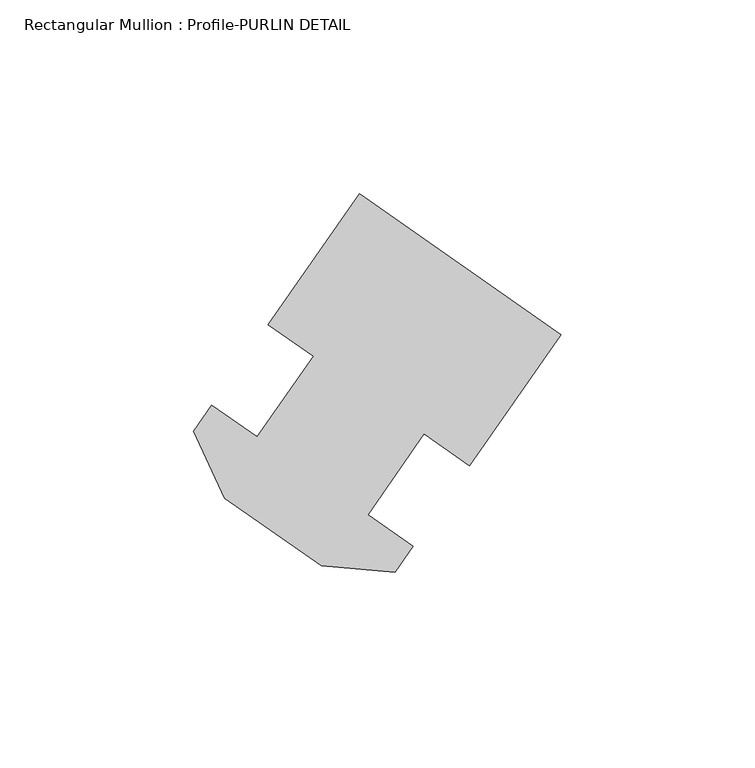
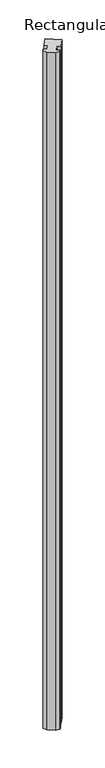
"""IFC4 building model written with IfcOpenShell, lengths in millimetres: member geometry, Rectangular Mullion : Profile-PURLIN DETAIL."""

from ifc_helpers import new_model, si_unit, frame, origin, place, context, project, spatial, polyline, outline, extrude, source, transform, mapped, element, save


def rectangular_mullion_profile_purlin_detail_10a3100a(model_context):
    return source(origin(), model_context, "Body", "SweptSolid", [
        extrude(outline(polyline([(0.0, 80.1147294), (-23.6743674, 46.3042288), (-35.3780022, 54.4992021), (-49.9468437, 33.6927402), (-38.2432089, 25.4977668), (-42.9418351, 18.7874332), (-61.9186563, 20.4478886), (-86.9070714, 37.9452753), (-94.9578442, 55.209745), (-90.2593637, 61.9198706), (-78.5557289, 53.7248972), (-63.9868874, 74.5313591), (-75.6905222, 82.7263325), (-52.0161548, 116.5368331), (0.0, 80.1147294)])), frame((0.0, 0.0, -3048.0), z_axis=(0.0, 0.0, 1.0), x_axis=(1.0, 0.0, 0.0)), (0.0, 0.0, 1.0), 3048.0),
    ])


if __name__ == "__main__":
    model = new_model("IFC4")
    model_context = context("Model", 3, world=origin())
    ifc_project = project(units=[si_unit("LENGTHUNIT", "METRE", prefix="MILLI")], contexts=[model_context])
    site = spatial("IfcSite", under=ifc_project)
    building = spatial("IfcBuilding", under=site)
    placement = place(None, origin())
    rectangular_mullion_profile_purlin_detail_shape = rectangular_mullion_profile_purlin_detail_10a3100a(model_context)
    element("IfcMember", 1, ObjectType="Rectangular Mullion : Profile-PURLIN DETAIL", at=placement, inside=building, context=model_context, shape_type="MappedRepresentation", body=[
        mapped(rectangular_mullion_profile_purlin_detail_shape, transform((0.0, 0.0, 0.0), x_axis=(1.0, 0.0, 0.0), y_axis=(0.0, 1.0, 0.0), z_axis=(0.0, 0.0, 1.0))),
    ])
    save(model, "model.ifc")
